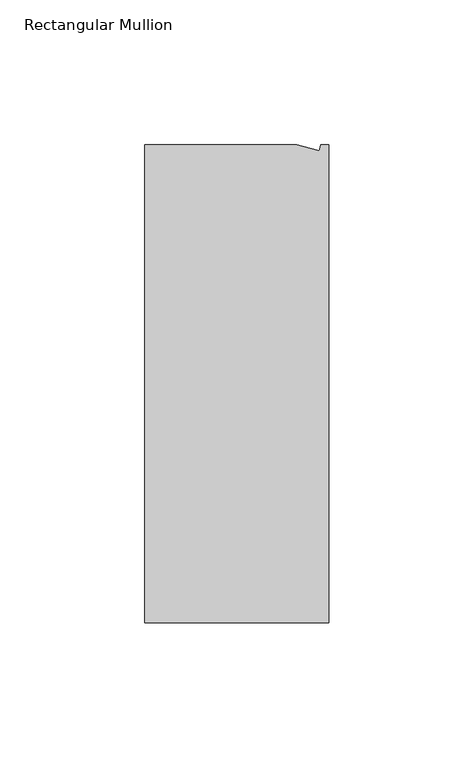
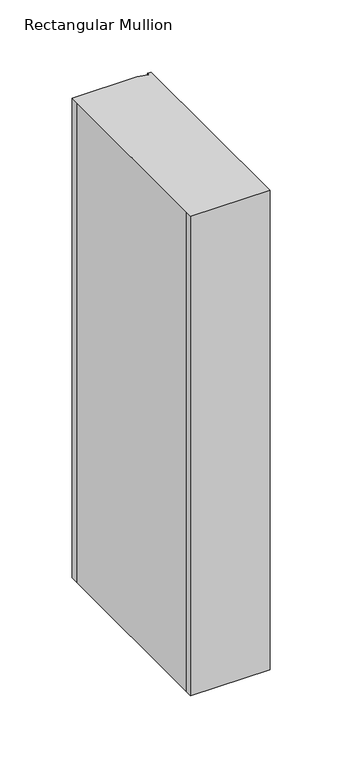
"""IFC4 building model written with IfcOpenShell, lengths in millimetres: member geometry, Rectangular Mullion."""

from ifc_helpers import new_model, si_unit, frame, origin, place, context, project, spatial, polyline, outline, extrude, source, transform, mapped, element, save


def rectangular_mullion_adef2523(model_context):
    return source(origin(), model_context, "Body", "SweptSolid", [
        extrude(outline(polyline([(0.0, -132.5561012), (-63.5, -132.5561012), (-63.5, -126.2061012), (-63.5, 26.1938988), (-63.5, 32.5438988), (-11.1125, 32.5438988), (-3.3223696, 30.4565397), (-2.7630634, 32.5438988), (0.0, 32.5438988), (0.0, -132.5561012)])), frame((0.0, 0.0, -406.4), z_axis=(0.0, 0.0, 1.0), x_axis=(1.0, 0.0, 0.0)), (0.0, 0.0, 1.0), 406.4),
    ])


if __name__ == "__main__":
    model = new_model("IFC4")
    model_context = context("Model", 3, world=origin())
    ifc_project = project(units=[si_unit("LENGTHUNIT", "METRE", prefix="MILLI")], contexts=[model_context])
    site = spatial("IfcSite", under=ifc_project)
    building = spatial("IfcBuilding", under=site)
    placement = place(None, origin())
    rectangular_mullion_shape = rectangular_mullion_adef2523(model_context)
    element("IfcMember", 1, ObjectType="Rectangular Mullion", at=placement, inside=building, context=model_context, shape_type="MappedRepresentation", body=[
        mapped(rectangular_mullion_shape, transform((0.0, 0.0, 0.0), x_axis=(1.0, 0.0, 0.0), y_axis=(0.0, 1.0, 0.0), z_axis=(0.0, 0.0, 1.0))),
    ])
    save(model, "model.ifc")
